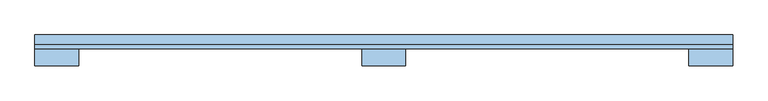
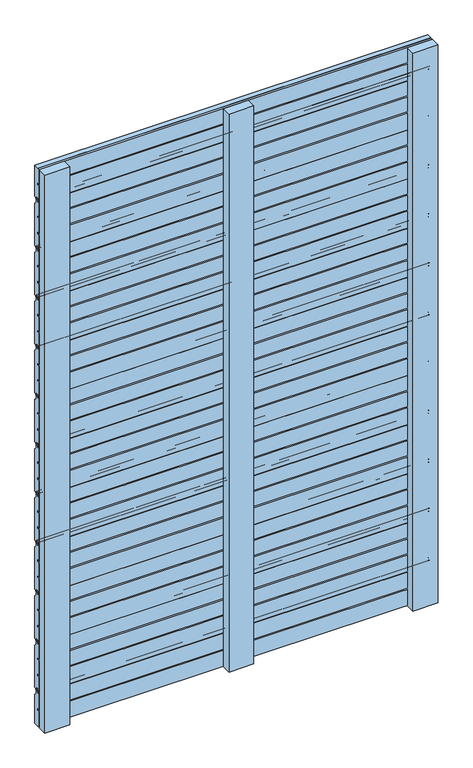
"""IFC4 building model written with IfcOpenShell, lengths in millimetres: window geometry."""

from ifc_helpers import new_model, si_unit, point, frame, frame_2d, origin, place, context, project, spatial, polyline, circle_curve, trimmed, segment, composite_curve, outline, extrude, source, transform, mapped, element, save


def window_6bd10853(model_context):
    return source(origin(), model_context, "Body", "SweptSolid", [
        extrude(outline(composite_curve([segment(trimmed(circle_curve(frame_2d((35.5, 192.0)), 1.0), [point((36.5, 192.0))], [point((35.5, 191.0))], False, "CARTESIAN"), True, "CONTINUOUS"), segment(polyline([(35.5, 191.0), (30.5, 191.0), (30.5, 236.0), (36.5, 236.0), (36.5, 239.5), (30.5, 239.5), (30.5, 279.5), (36.5, 279.5), (36.5, 283.0), (30.5, 283.0), (30.5, 322.0), (37.0, 322.0), (37.0, 328.5)]), True, "CONTINUOUS"), segment(trimmed(circle_curve(frame_2d((38.5, 328.5)), 1.5), [point((37.0, 328.5))], [point((38.5, 330.0))], False, "CARTESIAN"), True, "CONTINUOUS"), segment(polyline([(38.5, 330.0), (41.5, 330.0)]), True, "CONTINUOUS"), segment(trimmed(circle_curve(frame_2d((41.5, 328.5)), 1.5), [point((41.5, 330.0))], [point((43.0, 328.5))], False, "CARTESIAN"), True, "CONTINUOUS"), segment(polyline([(43.0, 328.5), (43.0, 317.4142136)]), True, "CONTINUOUS"), segment(trimmed(circle_curve(frame_2d((44.0, 317.4142136)), 1.0), [point((43.0, 317.4142136))], [point((43.2928932, 316.7071068))], True, "CARTESIAN"), True, "CONTINUOUS"), segment(polyline([(43.2928932, 316.7071068), (49.5606602, 310.4393398)]), True, "CONTINUOUS"), segment(trimmed(circle_curve(frame_2d((48.5, 309.3786797)), 1.5), [point((49.5606602, 310.4393398))], [point((50.0, 309.3786797))], False, "CARTESIAN"), True, "CONTINUOUS"), segment(polyline([(50.0, 309.3786797), (50.0, 197.2071068)]), True, "CONTINUOUS"), segment(trimmed(circle_curve(frame_2d((48.5, 197.2071068)), 1.5), [point((50.0, 197.2071068))], [point((49.5606602, 196.1464466))], False, "CARTESIAN"), True, "CONTINUOUS"), segment(polyline([(49.5606602, 196.1464466), (44.7071068, 191.2928932)]), True, "CONTINUOUS"), segment(trimmed(circle_curve(frame_2d((44.0, 192.0)), 1.0), [point((44.7071068, 191.2928932))], [point((43.0, 192.0))], False, "CARTESIAN"), True, "CONTINUOUS"), segment(polyline([(43.0, 192.0), (43.0, 198.5)]), True, "CONTINUOUS"), segment(trimmed(circle_curve(frame_2d((41.5, 198.5)), 1.5), [point((43.0, 198.5))], [point((41.5, 200.0))], True, "CARTESIAN"), True, "CONTINUOUS"), segment(polyline([(41.5, 200.0), (38.0, 200.0)]), True, "CONTINUOUS"), segment(trimmed(circle_curve(frame_2d((38.0, 198.5)), 1.5), [point((38.0, 200.0))], [point((36.5, 198.5))], True, "CARTESIAN"), True, "CONTINUOUS"), segment(polyline([(36.5, 198.5), (36.5, 192.0)]), True, "CONTINUOUS")], self_intersect=False)), frame((-500.0, 0.0, 0.0), z_axis=(1.0, 0.0, 0.0), x_axis=(0.0, 1.0, 0.0)), (0.0, 0.0, 1.0), 1000.0),
        extrude(outline(composite_curve([segment(trimmed(circle_curve(frame_2d((35.5, 324.0)), 1.0), [point((36.5, 324.0))], [point((35.5, 323.0))], False, "CARTESIAN"), True, "CONTINUOUS"), segment(polyline([(35.5, 323.0), (30.5, 323.0), (30.5, 368.0), (36.5, 368.0), (36.5, 371.5), (30.5, 371.5), (30.5, 411.5), (36.5, 411.5), (36.5, 415.0), (30.5, 415.0), (30.5, 454.0), (37.0, 454.0), (37.0, 460.5)]), True, "CONTINUOUS"), segment(trimmed(circle_curve(frame_2d((38.5, 460.5)), 1.5), [point((37.0, 460.5))], [point((38.5, 462.0))], False, "CARTESIAN"), True, "CONTINUOUS"), segment(polyline([(38.5, 462.0), (41.5, 462.0)]), True, "CONTINUOUS"), segment(trimmed(circle_curve(frame_2d((41.5, 460.5)), 1.5), [point((41.5, 462.0))], [point((43.0, 460.5))], False, "CARTESIAN"), True, "CONTINUOUS"), segment(polyline([(43.0, 460.5), (43.0, 449.4142136)]), True, "CONTINUOUS"), segment(trimmed(circle_curve(frame_2d((44.0, 449.4142136)), 1.0), [point((43.0, 449.4142136))], [point((43.2928932, 448.7071068))], True, "CARTESIAN"), True, "CONTINUOUS"), segment(polyline([(43.2928932, 448.7071068), (49.5606602, 442.4393398)]), True, "CONTINUOUS"), segment(trimmed(circle_curve(frame_2d((48.5, 441.3786797)), 1.5), [point((49.5606602, 442.4393398))], [point((50.0, 441.3786797))], False, "CARTESIAN"), True, "CONTINUOUS"), segment(polyline([(50.0, 441.3786797), (50.0, 329.2071068)]), True, "CONTINUOUS"), segment(trimmed(circle_curve(frame_2d((48.5, 329.2071068)), 1.5), [point((50.0, 329.2071068))], [point((49.5606602, 328.1464466))], False, "CARTESIAN"), True, "CONTINUOUS"), segment(polyline([(49.5606602, 328.1464466), (44.7071068, 323.2928932)]), True, "CONTINUOUS"), segment(trimmed(circle_curve(frame_2d((44.0, 324.0)), 1.0), [point((44.7071068, 323.2928932))], [point((43.0, 324.0))], False, "CARTESIAN"), True, "CONTINUOUS"), segment(polyline([(43.0, 324.0), (43.0, 330.5)]), True, "CONTINUOUS"), segment(trimmed(circle_curve(frame_2d((41.5, 330.5)), 1.5), [point((43.0, 330.5))], [point((41.5, 332.0))], True, "CARTESIAN"), True, "CONTINUOUS"), segment(polyline([(41.5, 332.0), (38.0, 332.0)]), True, "CONTINUOUS"), segment(trimmed(circle_curve(frame_2d((38.0, 330.5)), 1.5), [point((38.0, 332.0))], [point((36.5, 330.5))], True, "CARTESIAN"), True, "CONTINUOUS"), segment(polyline([(36.5, 330.5), (36.5, 324.0)]), True, "CONTINUOUS")], self_intersect=False)), frame((-500.0, 0.0, 0.0), z_axis=(1.0, 0.0, 0.0), x_axis=(0.0, 1.0, 0.0)), (0.0, 0.0, 1.0), 1000.0),
        extrude(outline(composite_curve([segment(trimmed(circle_curve(frame_2d((35.5, 456.0)), 1.0), [point((36.5, 456.0))], [point((35.5, 455.0))], False, "CARTESIAN"), True, "CONTINUOUS"), segment(polyline([(35.5, 455.0), (30.5, 455.0), (30.5, 500.0), (36.5, 500.0), (36.5, 503.5), (30.5, 503.5), (30.5, 543.5), (36.5, 543.5), (36.5, 547.0), (30.5, 547.0), (30.5, 586.0), (37.0, 586.0), (37.0, 592.5)]), True, "CONTINUOUS"), segment(trimmed(circle_curve(frame_2d((38.5, 592.5)), 1.5), [point((37.0, 592.5))], [point((38.5, 594.0))], False, "CARTESIAN"), True, "CONTINUOUS"), segment(polyline([(38.5, 594.0), (41.5, 594.0)]), True, "CONTINUOUS"), segment(trimmed(circle_curve(frame_2d((41.5, 592.5)), 1.5), [point((41.5, 594.0))], [point((43.0, 592.5))], False, "CARTESIAN"), True, "CONTINUOUS"), segment(polyline([(43.0, 592.5), (43.0, 581.4142136)]), True, "CONTINUOUS"), segment(trimmed(circle_curve(frame_2d((44.0, 581.4142136)), 1.0), [point((43.0, 581.4142136))], [point((43.2928932, 580.7071068))], True, "CARTESIAN"), True, "CONTINUOUS"), segment(polyline([(43.2928932, 580.7071068), (49.5606602, 574.4393398)]), True, "CONTINUOUS"), segment(trimmed(circle_curve(frame_2d((48.5, 573.3786797)), 1.5), [point((49.5606602, 574.4393398))], [point((50.0, 573.3786797))], False, "CARTESIAN"), True, "CONTINUOUS"), segment(polyline([(50.0, 573.3786797), (50.0, 461.2071068)]), True, "CONTINUOUS"), segment(trimmed(circle_curve(frame_2d((48.5, 461.2071068)), 1.5), [point((50.0, 461.2071068))], [point((49.5606602, 460.1464466))], False, "CARTESIAN"), True, "CONTINUOUS"), segment(polyline([(49.5606602, 460.1464466), (44.7071068, 455.2928932)]), True, "CONTINUOUS"), segment(trimmed(circle_curve(frame_2d((44.0, 456.0)), 1.0), [point((44.7071068, 455.2928932))], [point((43.0, 456.0))], False, "CARTESIAN"), True, "CONTINUOUS"), segment(polyline([(43.0, 456.0), (43.0, 462.5)]), True, "CONTINUOUS"), segment(trimmed(circle_curve(frame_2d((41.5, 462.5)), 1.5), [point((43.0, 462.5))], [point((41.5, 464.0))], True, "CARTESIAN"), True, "CONTINUOUS"), segment(polyline([(41.5, 464.0), (38.0, 464.0)]), True, "CONTINUOUS"), segment(trimmed(circle_curve(frame_2d((38.0, 462.5)), 1.5), [point((38.0, 464.0))], [point((36.5, 462.5))], True, "CARTESIAN"), True, "CONTINUOUS"), segment(polyline([(36.5, 462.5), (36.5, 456.0)]), True, "CONTINUOUS")], self_intersect=False)), frame((-500.0, 0.0, 0.0), z_axis=(1.0, 0.0, 0.0), x_axis=(0.0, 1.0, 0.0)), (0.0, 0.0, 1.0), 1000.0),
        extrude(outline(composite_curve([segment(trimmed(circle_curve(frame_2d((35.5, 588.0)), 1.0), [point((36.5, 588.0))], [point((35.5, 587.0))], False, "CARTESIAN"), True, "CONTINUOUS"), segment(polyline([(35.5, 587.0), (30.5, 587.0), (30.5, 632.0), (36.5, 632.0), (36.5, 635.5), (30.5, 635.5), (30.5, 675.5), (36.5, 675.5), (36.5, 679.0), (30.5, 679.0), (30.5, 718.0), (37.0, 718.0), (37.0, 724.5)]), True, "CONTINUOUS"), segment(trimmed(circle_curve(frame_2d((38.5, 724.5)), 1.5), [point((37.0, 724.5))], [point((38.5, 726.0))], False, "CARTESIAN"), True, "CONTINUOUS"), segment(polyline([(38.5, 726.0), (41.5, 726.0)]), True, "CONTINUOUS"), segment(trimmed(circle_curve(frame_2d((41.5, 724.5)), 1.5), [point((41.5, 726.0))], [point((43.0, 724.5))], False, "CARTESIAN"), True, "CONTINUOUS"), segment(polyline([(43.0, 724.5), (43.0, 713.4142136)]), True, "CONTINUOUS"), segment(trimmed(circle_curve(frame_2d((44.0, 713.4142136)), 1.0), [point((43.0, 713.4142136))], [point((43.2928932, 712.7071068))], True, "CARTESIAN"), True, "CONTINUOUS"), segment(polyline([(43.2928932, 712.7071068), (49.5606602, 706.4393398)]), True, "CONTINUOUS"), segment(trimmed(circle_curve(frame_2d((48.5, 705.3786797)), 1.5), [point((49.5606602, 706.4393398))], [point((50.0, 705.3786797))], False, "CARTESIAN"), True, "CONTINUOUS"), segment(polyline([(50.0, 705.3786797), (50.0, 593.2071068)]), True, "CONTINUOUS"), segment(trimmed(circle_curve(frame_2d((48.5, 593.2071068)), 1.5), [point((50.0, 593.2071068))], [point((49.5606602, 592.1464466))], False, "CARTESIAN"), True, "CONTINUOUS"), segment(polyline([(49.5606602, 592.1464466), (44.7071068, 587.2928932)]), True, "CONTINUOUS"), segment(trimmed(circle_curve(frame_2d((44.0, 588.0)), 1.0), [point((44.7071068, 587.2928932))], [point((43.0, 588.0))], False, "CARTESIAN"), True, "CONTINUOUS"), segment(polyline([(43.0, 588.0), (43.0, 594.5)]), True, "CONTINUOUS"), segment(trimmed(circle_curve(frame_2d((41.5, 594.5)), 1.5), [point((43.0, 594.5))], [point((41.5, 596.0))], True, "CARTESIAN"), True, "CONTINUOUS"), segment(polyline([(41.5, 596.0), (38.0, 596.0)]), True, "CONTINUOUS"), segment(trimmed(circle_curve(frame_2d((38.0, 594.5)), 1.5), [point((38.0, 596.0))], [point((36.5, 594.5))], True, "CARTESIAN"), True, "CONTINUOUS"), segment(polyline([(36.5, 594.5), (36.5, 588.0)]), True, "CONTINUOUS")], self_intersect=False)), frame((-500.0, 0.0, 0.0), z_axis=(1.0, 0.0, 0.0), x_axis=(0.0, 1.0, 0.0)), (0.0, 0.0, 1.0), 1000.0),
        extrude(outline(composite_curve([segment(trimmed(circle_curve(frame_2d((35.5, 720.0)), 1.0), [point((36.5, 720.0))], [point((35.5, 719.0))], False, "CARTESIAN"), True, "CONTINUOUS"), segment(polyline([(35.5, 719.0), (30.5, 719.0), (30.5, 764.0), (36.5, 764.0), (36.5, 767.5), (30.5, 767.5), (30.5, 807.5), (36.5, 807.5), (36.5, 811.0), (30.5, 811.0), (30.5, 850.0), (37.0, 850.0), (37.0, 856.5)]), True, "CONTINUOUS"), segment(trimmed(circle_curve(frame_2d((38.5, 856.5)), 1.5), [point((37.0, 856.5))], [point((38.5, 858.0))], False, "CARTESIAN"), True, "CONTINUOUS"), segment(polyline([(38.5, 858.0), (41.5, 858.0)]), True, "CONTINUOUS"), segment(trimmed(circle_curve(frame_2d((41.5, 856.5)), 1.5), [point((41.5, 858.0))], [point((43.0, 856.5))], False, "CARTESIAN"), True, "CONTINUOUS"), segment(polyline([(43.0, 856.5), (43.0, 845.4142136)]), True, "CONTINUOUS"), segment(trimmed(circle_curve(frame_2d((44.0, 845.4142136)), 1.0), [point((43.0, 845.4142136))], [point((43.2928932, 844.7071068))], True, "CARTESIAN"), True, "CONTINUOUS"), segment(polyline([(43.2928932, 844.7071068), (49.5606602, 838.4393398)]), True, "CONTINUOUS"), segment(trimmed(circle_curve(frame_2d((48.5, 837.3786797)), 1.5), [point((49.5606602, 838.4393398))], [point((50.0, 837.3786797))], False, "CARTESIAN"), True, "CONTINUOUS"), segment(polyline([(50.0, 837.3786797), (50.0, 725.2071068)]), True, "CONTINUOUS"), segment(trimmed(circle_curve(frame_2d((48.5, 725.2071068)), 1.5), [point((50.0, 725.2071068))], [point((49.5606602, 724.1464466))], False, "CARTESIAN"), True, "CONTINUOUS"), segment(polyline([(49.5606602, 724.1464466), (44.7071068, 719.2928932)]), True, "CONTINUOUS"), segment(trimmed(circle_curve(frame_2d((44.0, 720.0)), 1.0), [point((44.7071068, 719.2928932))], [point((43.0, 720.0))], False, "CARTESIAN"), True, "CONTINUOUS"), segment(polyline([(43.0, 720.0), (43.0, 726.5)]), True, "CONTINUOUS"), segment(trimmed(circle_curve(frame_2d((41.5, 726.5)), 1.5), [point((43.0, 726.5))], [point((41.5, 728.0))], True, "CARTESIAN"), True, "CONTINUOUS"), segment(polyline([(41.5, 728.0), (38.0, 728.0)]), True, "CONTINUOUS"), segment(trimmed(circle_curve(frame_2d((38.0, 726.5)), 1.5), [point((38.0, 728.0))], [point((36.5, 726.5))], True, "CARTESIAN"), True, "CONTINUOUS"), segment(polyline([(36.5, 726.5), (36.5, 720.0)]), True, "CONTINUOUS")], self_intersect=False)), frame((-500.0, 0.0, 0.0), z_axis=(1.0, 0.0, 0.0), x_axis=(0.0, 1.0, 0.0)), (0.0, 0.0, 1.0), 1000.0),
        extrude(outline(composite_curve([segment(trimmed(circle_curve(frame_2d((35.5, 852.0)), 1.0), [point((36.5, 852.0))], [point((35.5, 851.0))], False, "CARTESIAN"), True, "CONTINUOUS"), segment(polyline([(35.5, 851.0), (30.5, 851.0), (30.5, 896.0), (36.5, 896.0), (36.5, 899.5), (30.5, 899.5), (30.5, 939.5), (36.5, 939.5), (36.5, 943.0), (30.5, 943.0), (30.5, 982.0), (37.0, 982.0), (37.0, 988.5)]), True, "CONTINUOUS"), segment(trimmed(circle_curve(frame_2d((38.5, 988.5)), 1.5), [point((37.0, 988.5))], [point((38.5, 990.0))], False, "CARTESIAN"), True, "CONTINUOUS"), segment(polyline([(38.5, 990.0), (41.5, 990.0)]), True, "CONTINUOUS"), segment(trimmed(circle_curve(frame_2d((41.5, 988.5)), 1.5), [point((41.5, 990.0))], [point((43.0, 988.5))], False, "CARTESIAN"), True, "CONTINUOUS"), segment(polyline([(43.0, 988.5), (43.0, 977.4142136)]), True, "CONTINUOUS"), segment(trimmed(circle_curve(frame_2d((44.0, 977.4142136)), 1.0), [point((43.0, 977.4142136))], [point((43.2928932, 976.7071068))], True, "CARTESIAN"), True, "CONTINUOUS"), segment(polyline([(43.2928932, 976.7071068), (49.5606602, 970.4393398)]), True, "CONTINUOUS"), segment(trimmed(circle_curve(frame_2d((48.5, 969.3786797)), 1.5), [point((49.5606602, 970.4393398))], [point((50.0, 969.3786797))], False, "CARTESIAN"), True, "CONTINUOUS"), segment(polyline([(50.0, 969.3786797), (50.0, 857.2071068)]), True, "CONTINUOUS"), segment(trimmed(circle_curve(frame_2d((48.5, 857.2071068)), 1.5), [point((50.0, 857.2071068))], [point((49.5606602, 856.1464466))], False, "CARTESIAN"), True, "CONTINUOUS"), segment(polyline([(49.5606602, 856.1464466), (44.7071068, 851.2928932)]), True, "CONTINUOUS"), segment(trimmed(circle_curve(frame_2d((44.0, 852.0)), 1.0), [point((44.7071068, 851.2928932))], [point((43.0, 852.0))], False, "CARTESIAN"), True, "CONTINUOUS"), segment(polyline([(43.0, 852.0), (43.0, 858.5)]), True, "CONTINUOUS"), segment(trimmed(circle_curve(frame_2d((41.5, 858.5)), 1.5), [point((43.0, 858.5))], [point((41.5, 860.0))], True, "CARTESIAN"), True, "CONTINUOUS"), segment(polyline([(41.5, 860.0), (38.0, 860.0)]), True, "CONTINUOUS"), segment(trimmed(circle_curve(frame_2d((38.0, 858.5)), 1.5), [point((38.0, 860.0))], [point((36.5, 858.5))], True, "CARTESIAN"), True, "CONTINUOUS"), segment(polyline([(36.5, 858.5), (36.5, 852.0)]), True, "CONTINUOUS")], self_intersect=False)), frame((-500.0, 0.0, 0.0), z_axis=(1.0, 0.0, 0.0), x_axis=(0.0, 1.0, 0.0)), (0.0, 0.0, 1.0), 1000.0),
        extrude(outline(composite_curve([segment(trimmed(circle_curve(frame_2d((35.5, 984.0)), 1.0), [point((36.5, 984.0))], [point((35.5, 983.0))], False, "CARTESIAN"), True, "CONTINUOUS"), segment(polyline([(35.5, 983.0), (30.5, 983.0), (30.5, 1028.0), (36.5, 1028.0), (36.5, 1031.5), (30.5, 1031.5), (30.5, 1071.5), (36.5, 1071.5), (36.5, 1075.0), (30.5, 1075.0), (30.5, 1114.0), (37.0, 1114.0), (37.0, 1120.5)]), True, "CONTINUOUS"), segment(trimmed(circle_curve(frame_2d((38.5, 1120.5)), 1.5), [point((37.0, 1120.5))], [point((38.5, 1122.0))], False, "CARTESIAN"), True, "CONTINUOUS"), segment(polyline([(38.5, 1122.0), (41.5, 1122.0)]), True, "CONTINUOUS"), segment(trimmed(circle_curve(frame_2d((41.5, 1120.5)), 1.5), [point((41.5, 1122.0))], [point((43.0, 1120.5))], False, "CARTESIAN"), True, "CONTINUOUS"), segment(polyline([(43.0, 1120.5), (43.0, 1109.4142136)]), True, "CONTINUOUS"), segment(trimmed(circle_curve(frame_2d((44.0, 1109.4142136)), 1.0), [point((43.0, 1109.4142136))], [point((43.2928932, 1108.7071068))], True, "CARTESIAN"), True, "CONTINUOUS"), segment(polyline([(43.2928932, 1108.7071068), (49.5606602, 1102.4393398)]), True, "CONTINUOUS"), segment(trimmed(circle_curve(frame_2d((48.5, 1101.3786797)), 1.5), [point((49.5606602, 1102.4393398))], [point((50.0, 1101.3786797))], False, "CARTESIAN"), True, "CONTINUOUS"), segment(polyline([(50.0, 1101.3786797), (50.0, 989.2071068)]), True, "CONTINUOUS"), segment(trimmed(circle_curve(frame_2d((48.5, 989.2071068)), 1.5), [point((50.0, 989.2071068))], [point((49.5606602, 988.1464466))], False, "CARTESIAN"), True, "CONTINUOUS"), segment(polyline([(49.5606602, 988.1464466), (44.7071068, 983.2928932)]), True, "CONTINUOUS"), segment(trimmed(circle_curve(frame_2d((44.0, 984.0)), 1.0), [point((44.7071068, 983.2928932))], [point((43.0, 984.0))], False, "CARTESIAN"), True, "CONTINUOUS"), segment(polyline([(43.0, 984.0), (43.0, 990.5)]), True, "CONTINUOUS"), segment(trimmed(circle_curve(frame_2d((41.5, 990.5)), 1.5), [point((43.0, 990.5))], [point((41.5, 992.0))], True, "CARTESIAN"), True, "CONTINUOUS"), segment(polyline([(41.5, 992.0), (38.0, 992.0)]), True, "CONTINUOUS"), segment(trimmed(circle_curve(frame_2d((38.0, 990.5)), 1.5), [point((38.0, 992.0))], [point((36.5, 990.5))], True, "CARTESIAN"), True, "CONTINUOUS"), segment(polyline([(36.5, 990.5), (36.5, 984.0)]), True, "CONTINUOUS")], self_intersect=False)), frame((-500.0, 0.0, 0.0), z_axis=(1.0, 0.0, 0.0), x_axis=(0.0, 1.0, 0.0)), (0.0, 0.0, 1.0), 1000.0),
        extrude(outline(composite_curve([segment(trimmed(circle_curve(frame_2d((35.5, 1116.0)), 1.0), [point((36.5, 1116.0))], [point((35.5, 1115.0))], False, "CARTESIAN"), True, "CONTINUOUS"), segment(polyline([(35.5, 1115.0), (30.5, 1115.0), (30.5, 1160.0), (36.5, 1160.0), (36.5, 1163.5), (30.5, 1163.5), (30.5, 1203.5), (36.5, 1203.5), (36.5, 1207.0), (30.5, 1207.0), (30.5, 1246.0), (37.0, 1246.0), (37.0, 1252.5)]), True, "CONTINUOUS"), segment(trimmed(circle_curve(frame_2d((38.5, 1252.5)), 1.5), [point((37.0, 1252.5))], [point((38.5, 1254.0))], False, "CARTESIAN"), True, "CONTINUOUS"), segment(polyline([(38.5, 1254.0), (41.5, 1254.0)]), True, "CONTINUOUS"), segment(trimmed(circle_curve(frame_2d((41.5, 1252.5)), 1.5), [point((41.5, 1254.0))], [point((43.0, 1252.5))], False, "CARTESIAN"), True, "CONTINUOUS"), segment(polyline([(43.0, 1252.5), (43.0, 1241.4142136)]), True, "CONTINUOUS"), segment(trimmed(circle_curve(frame_2d((44.0, 1241.4142136)), 1.0), [point((43.0, 1241.4142136))], [point((43.2928932, 1240.7071068))], True, "CARTESIAN"), True, "CONTINUOUS"), segment(polyline([(43.2928932, 1240.7071068), (49.5606602, 1234.4393398)]), True, "CONTINUOUS"), segment(trimmed(circle_curve(frame_2d((48.5, 1233.3786797)), 1.5), [point((49.5606602, 1234.4393398))], [point((50.0, 1233.3786797))], False, "CARTESIAN"), True, "CONTINUOUS"), segment(polyline([(50.0, 1233.3786797), (50.0, 1121.2071068)]), True, "CONTINUOUS"), segment(trimmed(circle_curve(frame_2d((48.5, 1121.2071068)), 1.5), [point((50.0, 1121.2071068))], [point((49.5606602, 1120.1464466))], False, "CARTESIAN"), True, "CONTINUOUS"), segment(polyline([(49.5606602, 1120.1464466), (44.7071068, 1115.2928932)]), True, "CONTINUOUS"), segment(trimmed(circle_curve(frame_2d((44.0, 1116.0)), 1.0), [point((44.7071068, 1115.2928932))], [point((43.0, 1116.0))], False, "CARTESIAN"), True, "CONTINUOUS"), segment(polyline([(43.0, 1116.0), (43.0, 1122.5)]), True, "CONTINUOUS"), segment(trimmed(circle_curve(frame_2d((41.5, 1122.5)), 1.5), [point((43.0, 1122.5))], [point((41.5, 1124.0))], True, "CARTESIAN"), True, "CONTINUOUS"), segment(polyline([(41.5, 1124.0), (38.0, 1124.0)]), True, "CONTINUOUS"), segment(trimmed(circle_curve(frame_2d((38.0, 1122.5)), 1.5), [point((38.0, 1124.0))], [point((36.5, 1122.5))], True, "CARTESIAN"), True, "CONTINUOUS"), segment(polyline([(36.5, 1122.5), (36.5, 1116.0)]), True, "CONTINUOUS")], self_intersect=False)), frame((-500.0, 0.0, 0.0), z_axis=(1.0, 0.0, 0.0), x_axis=(0.0, 1.0, 0.0)), (0.0, 0.0, 1.0), 1000.0),
        extrude(outline(composite_curve([segment(trimmed(circle_curve(frame_2d((35.5, 1248.0)), 1.0), [point((36.5, 1248.0))], [point((35.5, 1247.0))], False, "CARTESIAN"), True, "CONTINUOUS"), segment(polyline([(35.5, 1247.0), (30.5, 1247.0), (30.5, 1292.0), (36.5, 1292.0), (36.5, 1295.5), (30.5, 1295.5), (30.5, 1335.5), (36.5, 1335.5), (36.5, 1339.0), (30.5, 1339.0), (30.5, 1378.0), (37.0, 1378.0), (37.0, 1384.5)]), True, "CONTINUOUS"), segment(trimmed(circle_curve(frame_2d((38.5, 1384.5)), 1.5), [point((37.0, 1384.5))], [point((38.5, 1386.0))], False, "CARTESIAN"), True, "CONTINUOUS"), segment(polyline([(38.5, 1386.0), (41.5, 1386.0)]), True, "CONTINUOUS"), segment(trimmed(circle_curve(frame_2d((41.5, 1384.5)), 1.5), [point((41.5, 1386.0))], [point((43.0, 1384.5))], False, "CARTESIAN"), True, "CONTINUOUS"), segment(polyline([(43.0, 1384.5), (43.0, 1373.4142136)]), True, "CONTINUOUS"), segment(trimmed(circle_curve(frame_2d((44.0, 1373.4142136)), 1.0), [point((43.0, 1373.4142136))], [point((43.2928932, 1372.7071068))], True, "CARTESIAN"), True, "CONTINUOUS"), segment(polyline([(43.2928932, 1372.7071068), (49.5606602, 1366.4393398)]), True, "CONTINUOUS"), segment(trimmed(circle_curve(frame_2d((48.5, 1365.3786797)), 1.5), [point((49.5606602, 1366.4393398))], [point((50.0, 1365.3786797))], False, "CARTESIAN"), True, "CONTINUOUS"), segment(polyline([(50.0, 1365.3786797), (50.0, 1253.2071068)]), True, "CONTINUOUS"), segment(trimmed(circle_curve(frame_2d((48.5, 1253.2071068)), 1.5), [point((50.0, 1253.2071068))], [point((49.5606602, 1252.1464466))], False, "CARTESIAN"), True, "CONTINUOUS"), segment(polyline([(49.5606602, 1252.1464466), (44.7071068, 1247.2928932)]), True, "CONTINUOUS"), segment(trimmed(circle_curve(frame_2d((44.0, 1248.0)), 1.0), [point((44.7071068, 1247.2928932))], [point((43.0, 1248.0))], False, "CARTESIAN"), True, "CONTINUOUS"), segment(polyline([(43.0, 1248.0), (43.0, 1254.5)]), True, "CONTINUOUS"), segment(trimmed(circle_curve(frame_2d((41.5, 1254.5)), 1.5), [point((43.0, 1254.5))], [point((41.5, 1256.0))], True, "CARTESIAN"), True, "CONTINUOUS"), segment(polyline([(41.5, 1256.0), (38.0, 1256.0)]), True, "CONTINUOUS"), segment(trimmed(circle_curve(frame_2d((38.0, 1254.5)), 1.5), [point((38.0, 1256.0))], [point((36.5, 1254.5))], True, "CARTESIAN"), True, "CONTINUOUS"), segment(polyline([(36.5, 1254.5), (36.5, 1248.0)]), True, "CONTINUOUS")], self_intersect=False)), frame((-500.0, 0.0, 0.0), z_axis=(1.0, 0.0, 0.0), x_axis=(0.0, 1.0, 0.0)), (0.0, 0.0, 1.0), 1000.0),
        extrude(outline(composite_curve([segment(trimmed(circle_curve(frame_2d((35.5, 1380.0)), 1.0), [point((36.5, 1380.0))], [point((35.5, 1379.0))], False, "CARTESIAN"), True, "CONTINUOUS"), segment(polyline([(35.5, 1379.0), (30.5, 1379.0), (30.5, 1424.0), (36.5, 1424.0), (36.5, 1427.5), (30.5, 1427.5), (30.5, 1467.5), (36.5, 1467.5), (36.5, 1471.0), (30.5, 1471.0), (30.5, 1510.0), (37.0, 1510.0), (37.0, 1516.5)]), True, "CONTINUOUS"), segment(trimmed(circle_curve(frame_2d((38.5, 1516.5)), 1.5), [point((37.0, 1516.5))], [point((38.5, 1518.0))], False, "CARTESIAN"), True, "CONTINUOUS"), segment(polyline([(38.5, 1518.0), (41.5, 1518.0)]), True, "CONTINUOUS"), segment(trimmed(circle_curve(frame_2d((41.5, 1516.5)), 1.5), [point((41.5, 1518.0))], [point((43.0, 1516.5))], False, "CARTESIAN"), True, "CONTINUOUS"), segment(polyline([(43.0, 1516.5), (43.0, 1505.4142136)]), True, "CONTINUOUS"), segment(trimmed(circle_curve(frame_2d((44.0, 1505.4142136)), 1.0), [point((43.0, 1505.4142136))], [point((43.2928932, 1504.7071068))], True, "CARTESIAN"), True, "CONTINUOUS"), segment(polyline([(43.2928932, 1504.7071068), (49.5606602, 1498.4393398)]), True, "CONTINUOUS"), segment(trimmed(circle_curve(frame_2d((48.5, 1497.3786797)), 1.5), [point((49.5606602, 1498.4393398))], [point((50.0, 1497.3786797))], False, "CARTESIAN"), True, "CONTINUOUS"), segment(polyline([(50.0, 1497.3786797), (50.0, 1385.2071068)]), True, "CONTINUOUS"), segment(trimmed(circle_curve(frame_2d((48.5, 1385.2071068)), 1.5), [point((50.0, 1385.2071068))], [point((49.5606602, 1384.1464466))], False, "CARTESIAN"), True, "CONTINUOUS"), segment(polyline([(49.5606602, 1384.1464466), (44.7071068, 1379.2928932)]), True, "CONTINUOUS"), segment(trimmed(circle_curve(frame_2d((44.0, 1380.0)), 1.0), [point((44.7071068, 1379.2928932))], [point((43.0, 1380.0))], False, "CARTESIAN"), True, "CONTINUOUS"), segment(polyline([(43.0, 1380.0), (43.0, 1386.5)]), True, "CONTINUOUS"), segment(trimmed(circle_curve(frame_2d((41.5, 1386.5)), 1.5), [point((43.0, 1386.5))], [point((41.5, 1388.0))], True, "CARTESIAN"), True, "CONTINUOUS"), segment(polyline([(41.5, 1388.0), (38.0, 1388.0)]), True, "CONTINUOUS"), segment(trimmed(circle_curve(frame_2d((38.0, 1386.5)), 1.5), [point((38.0, 1388.0))], [point((36.5, 1386.5))], True, "CARTESIAN"), True, "CONTINUOUS"), segment(polyline([(36.5, 1386.5), (36.5, 1380.0)]), True, "CONTINUOUS")], self_intersect=False)), frame((-500.0, 0.0, 0.0), z_axis=(1.0, 0.0, 0.0), x_axis=(0.0, 1.0, 0.0)), (0.0, 0.0, 1.0), 1000.0),
        extrude(outline(composite_curve([segment(trimmed(circle_curve(frame_2d((48.5, 177.3786797)), 1.5), [point((49.5606602, 178.4393398))], [point((50.0, 177.3786797))], False, "CARTESIAN"), True, "CONTINUOUS"), segment(polyline([(50.0, 177.3786797), (50.0, 100.0), (36.5, 100.0), (36.5, 100.3778597), (30.5, 100.3778597), (30.5, 143.4389298), (36.5, 143.4389298), (36.5, 146.9389298), (30.5, 146.9389298), (30.5, 190.0), (37.0, 190.0), (37.0, 196.5)]), True, "CONTINUOUS"), segment(trimmed(circle_curve(frame_2d((38.5, 196.5)), 1.5), [point((37.0, 196.5))], [point((38.5, 198.0))], False, "CARTESIAN"), True, "CONTINUOUS"), segment(polyline([(38.5, 198.0), (41.5, 198.0)]), True, "CONTINUOUS"), segment(trimmed(circle_curve(frame_2d((41.5, 196.5)), 1.5), [point((41.5, 198.0))], [point((43.0, 196.5))], False, "CARTESIAN"), True, "CONTINUOUS"), segment(polyline([(43.0, 196.5), (43.0, 185.4142136)]), True, "CONTINUOUS"), segment(trimmed(circle_curve(frame_2d((44.0, 185.4142136)), 1.0), [point((43.0, 185.4142136))], [point((43.2928932, 184.7071068))], True, "CARTESIAN"), True, "CONTINUOUS"), segment(polyline([(43.2928932, 184.7071068), (49.5606602, 178.4393398)]), True, "CONTINUOUS")], self_intersect=False)), frame((-500.0, 0.0, 0.0), z_axis=(1.0, 0.0, 0.0), x_axis=(0.0, 1.0, 0.0)), (0.0, 0.0, 1.0), 1000.0),
        extrude(outline(composite_curve([segment(trimmed(circle_curve(frame_2d((35.5, 1512.0)), 1.0), [point((36.5, 1512.0))], [point((35.5, 1511.0))], False, "CARTESIAN"), True, "CONTINUOUS"), segment(polyline([(35.5, 1511.0), (30.5, 1511.0), (30.5, 1556.0), (36.5, 1556.0), (36.5, 1559.5), (30.5, 1559.5), (30.5, 1599.5), (36.5, 1599.5), (36.5, 1600.0), (50.0, 1600.0), (50.0, 1517.2071068)]), True, "CONTINUOUS"), segment(trimmed(circle_curve(frame_2d((48.5, 1517.2071068)), 1.5), [point((50.0, 1517.2071068))], [point((49.5606602, 1516.1464466))], False, "CARTESIAN"), True, "CONTINUOUS"), segment(polyline([(49.5606602, 1516.1464466), (44.7071068, 1511.2928932)]), True, "CONTINUOUS"), segment(trimmed(circle_curve(frame_2d((44.0, 1512.0)), 1.0), [point((44.7071068, 1511.2928932))], [point((43.0, 1512.0))], False, "CARTESIAN"), True, "CONTINUOUS"), segment(polyline([(43.0, 1512.0), (43.0, 1518.5)]), True, "CONTINUOUS"), segment(trimmed(circle_curve(frame_2d((41.5, 1518.5)), 1.5), [point((43.0, 1518.5))], [point((41.5, 1520.0))], True, "CARTESIAN"), True, "CONTINUOUS"), segment(polyline([(41.5, 1520.0), (38.0, 1520.0)]), True, "CONTINUOUS"), segment(trimmed(circle_curve(frame_2d((38.0, 1518.5)), 1.5), [point((38.0, 1520.0))], [point((36.5, 1518.5))], True, "CARTESIAN"), True, "CONTINUOUS"), segment(polyline([(36.5, 1518.5), (36.5, 1512.0)]), True, "CONTINUOUS")], self_intersect=False)), frame((-500.0, 0.0, 0.0), z_axis=(1.0, 0.0, 0.0), x_axis=(0.0, 1.0, 0.0)), (0.0, 0.0, 1.0), 1000.0),
        extrude(outline(polyline([(-31.5, 30.1), (31.5, 30.1), (31.5, 6.1), (-31.5, 6.1), (-31.5, 30.1)])), frame((0.0, 0.0, 100.0), z_axis=(0.0, 0.0, 1.0), x_axis=(1.0, 0.0, 0.0)), (0.0, 0.0, 1.0), 1500.0),
        extrude(outline(polyline([(-500.0, 30.0), (-437.0, 30.0), (-437.0, 6.0), (-500.0, 6.0), (-500.0, 30.0)])), frame((0.0, 0.0, 100.0), z_axis=(0.0, 0.0, 1.0), x_axis=(1.0, 0.0, 0.0)), (0.0, 0.0, 1.0), 1500.0),
        extrude(outline(polyline([(437.0, 30.0), (500.0, 30.0), (500.0, 6.0), (437.0, 6.0), (437.0, 30.0)])), frame((0.0, 0.0, 100.0), z_axis=(0.0, 0.0, 1.0), x_axis=(1.0, 0.0, 0.0)), (0.0, 0.0, 1.0), 1500.0),
    ])


if __name__ == "__main__":
    model = new_model("IFC4")
    model_context = context("Model", 3, world=origin())
    ifc_project = project(units=[si_unit("LENGTHUNIT", "METRE", prefix="MILLI")], contexts=[model_context])
    site = spatial("IfcSite", under=ifc_project)
    building = spatial("IfcBuilding", under=site)
    placement = place(None, origin())
    window_shape = window_6bd10853(model_context)
    element("IfcWindow", 1, at=placement, inside=building, context=model_context, shape_type="MappedRepresentation", body=[
        mapped(window_shape, transform((0.0, 0.0, 0.0), x_axis=(1.0, 0.0, 0.0), y_axis=(0.0, 1.0, 0.0), z_axis=(0.0, 0.0, 1.0))),
    ])
    save(model, "model.ifc")
